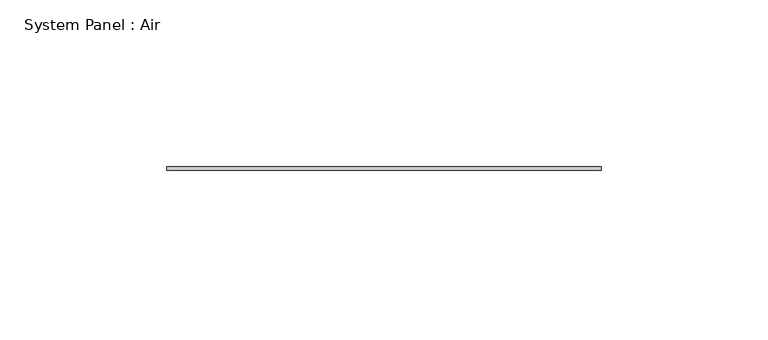
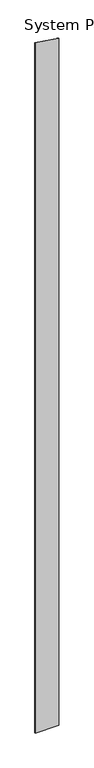
"""IFC4 building model written with IfcOpenShell, lengths in millimetres: plate geometry, System Panel : Air."""

import ifcopenshell
import ifcopenshell.guid

model = None  # the IFC model being written
_history = None  # IfcOwnerHistory: only IFC2X3 demands one
_inside = {}  # id of a spatial element -> (the spatial element, [elements in it])
_under = {}  # id of a project, library or spatial element -> (it, [spatial elements below it])
_declared = {}  # id of a project -> (the project, [libraries it declares])
_typed = {}  # id of a type object -> (the type object, [elements of that type])
_made_of = {}  # id of a material, layer set ... -> (it, [elements and type objects made of it])


def new_model(schema):
    """Start an empty IFC model of exactly this schema.

    Asked for "IFC4X3", IfcOpenShell would pick the latest addendum, in which some entities
    have other attributes; the version numbers below select the first issue.
    IFC2X3 requires an IfcOwnerHistory on every rooted entity: one is made here for all.
    """
    global model, _history
    if schema == "IFC4X3":
        model = ifcopenshell.file(schema_version=(4, 3, 0, 0))
    else:
        model = ifcopenshell.file(schema=schema)
    _inside.clear()
    _under.clear()
    _declared.clear()
    _typed.clear()
    _made_of.clear()
    _history = None
    if model.schema == "IFC2X3":
        org = make("IfcOrganization", Name="unknown")
        user = make(
            "IfcPersonAndOrganization",
            ThePerson=make("IfcPerson", FamilyName="unknown"),
            TheOrganization=org,
        )
        app = make(
            "IfcApplication",
            ApplicationDeveloper=org,
            Version="unknown",
            ApplicationFullName="unknown",
            ApplicationIdentifier="unknown",
        )
        _history = make(
            "IfcOwnerHistory",
            OwningUser=user,
            OwningApplication=app,
            ChangeAction="ADDED",
            CreationDate=0,
        )
    return model


def make(cls, **values):
    """One entity of the class cls with the attributes given. An attribute that is None is left unset."""
    return model.create_entity(
        cls, **{name: value for name, value in values.items() if value is not None}
    )


def rooted(cls, **values):
    """An entity with a GlobalId (a new one), such as an element, a storey or a relation."""
    return make(cls, GlobalId=ifcopenshell.guid.new(), OwnerHistory=_history, **values)


def si_unit(unit_type, name, prefix=None):
    """IfcSIUnit, for example si_unit("LENGTHUNIT", "METRE", prefix="MILLI")."""
    return make("IfcSIUnit", UnitType=unit_type, Prefix=prefix, Name=name)


def assignment(units):
    """IfcUnitAssignment: the units of a project."""
    return None if units is None else make("IfcUnitAssignment", Units=units)


def point(xyz):
    """IfcCartesianPoint."""
    return None if xyz is None else make("IfcCartesianPoint", Coordinates=xyz)


def direction(xyz):
    """IfcDirection."""
    return None if xyz is None else make("IfcDirection", DirectionRatios=xyz)


def frame(location, z_axis=None, x_axis=None):
    """IfcAxis2Placement3D, a coordinate frame: its origin and axes. An axis left out is left unset."""
    return make(
        "IfcAxis2Placement3D",
        Location=point(location),
        Axis=direction(z_axis),
        RefDirection=direction(x_axis),
    )


def origin():
    """The frame at (0, 0, 0) with its axes left unset."""
    return frame((0.0, 0.0, 0.0))


def place(relative_to, where):
    """IfcLocalPlacement: puts the frame where relative to a parent placement (None: the world)."""
    return make(
        "IfcLocalPlacement", PlacementRelTo=relative_to, RelativePlacement=where
    )


def context(
    kind, dimensions, precision=None, world=None, true_north=None, identifier=None
):
    """IfcGeometricRepresentationContext, for example the 3D "Model" context."""
    return make(
        "IfcGeometricRepresentationContext",
        ContextIdentifier=identifier,
        ContextType=kind,
        CoordinateSpaceDimension=dimensions,
        Precision=precision,
        WorldCoordinateSystem=world,
        TrueNorth=true_north,
    )


def project(units=None, contexts=None):
    """IfcProject with its units and contexts."""
    return rooted(
        "IfcProject",
        Name="project",
        RepresentationContexts=contexts,
        UnitsInContext=assignment(units),
    )


def spatial(cls, under=None, at=None, **own):
    """A site, building, storey or space (cls), placed at a placement, below another one or the project."""
    s = rooted(cls, ObjectPlacement=at, **own)
    if under is not None:
        _under.setdefault(under.id(), (under, []))[1].append(s)
    return s


def polyline(points):
    """IfcPolyline through the points."""
    return make("IfcPolyline", Points=[point(p) for p in points])


def outline(outer, holes=None, kind="AREA"):
    """IfcArbitraryClosedProfileDef: a profile drawn as a closed curve; with holes, ...WithVoids."""
    if holes is None:
        return make("IfcArbitraryClosedProfileDef", ProfileType=kind, OuterCurve=outer)
    return make(
        "IfcArbitraryProfileDefWithVoids",
        ProfileType=kind,
        OuterCurve=outer,
        InnerCurves=holes,
    )


def extrude(swept, where, along, depth):
    """IfcExtrudedAreaSolid: the profile swept, set in the frame where, extruded along a direction by depth."""
    return make(
        "IfcExtrudedAreaSolid",
        SweptArea=swept,
        Position=where,
        ExtrudedDirection=direction(along),
        Depth=depth,
    )


def shape(context_of_items, identifier, shape_type, items):
    """IfcShapeRepresentation: the items that make up one representation, for example the "Body"."""
    return make(
        "IfcShapeRepresentation",
        ContextOfItems=context_of_items,
        RepresentationIdentifier=identifier,
        RepresentationType=shape_type,
        Items=items,
    )


def source(mapping_origin, context_of_items, identifier, shape_type, items):
    """IfcRepresentationMap: a shape defined once, which mapped items show again and again."""
    return make(
        "IfcRepresentationMap",
        MappingOrigin=mapping_origin,
        MappedRepresentation=shape(context_of_items, identifier, shape_type, items),
    )


def transform(
    local_origin,
    x_axis=None,
    y_axis=None,
    z_axis=None,
    scale=None,
    scale2=None,
    scale3=None,
    uniform=True,
):
    """IfcCartesianTransformationOperator3D, or its non-uniform kind. x_axis, y_axis, z_axis: its Axis1, 2, 3."""
    if uniform:
        return make(
            "IfcCartesianTransformationOperator3D",
            Axis1=direction(x_axis),
            Axis2=direction(y_axis),
            LocalOrigin=point(local_origin),
            Scale=scale,
            Axis3=direction(z_axis),
        )
    return make(
        "IfcCartesianTransformationOperator3DnonUniform",
        Axis1=direction(x_axis),
        Axis2=direction(y_axis),
        LocalOrigin=point(local_origin),
        Scale=scale,
        Axis3=direction(z_axis),
        Scale2=scale2,
        Scale3=scale3,
    )


def mapped(mapping_source, mapping_target):
    """IfcMappedItem: shows the shape of a source again, moved by a transform."""
    return make(
        "IfcMappedItem", MappingSource=mapping_source, MappingTarget=mapping_target
    )


def made_of(thing, what):
    """Note that an element or type object is made of a material, layer set ...; save() writes the relation."""
    if what is not None:
        _made_of.setdefault(what.id(), (what, []))[1].append(thing)
    return thing


def element(
    cls,
    number,
    at=None,
    inside=None,
    cuts=None,
    type_object=None,
    material=None,
    context=None,
    identifier="Body",
    shape_type=None,
    held_by="IfcProductDefinitionShape",
    body=None,
    shapes=None,
    **own,
):
    """One element of the class cls, such as IfcWall. Its Tag is "e" and its number.

    at: its placement. inside: the storey or other place that contains it. cuts: it is an
    opening in that element (IfcRelVoidsElement). A single representation is given by context,
    identifier, shape_type and body (its items); several are given by shapes. held_by: the class
    of the entity that holds the representations. save() writes the other relations.
    """
    e = rooted(cls, Tag="e%d" % number, ObjectPlacement=at, **own)
    if body is not None:
        shapes = [shape(context, identifier, shape_type, body)]
    if shapes is not None:
        e.Representation = make(held_by, Representations=shapes)
    if inside is not None:
        _inside.setdefault(inside.id(), (inside, []))[1].append(e)
    if cuts is not None:
        rooted(
            "IfcRelVoidsElement", RelatingBuildingElement=cuts, RelatedOpeningElement=e
        )
    if type_object is not None:
        _typed.setdefault(type_object.id(), (type_object, []))[1].append(e)
    return made_of(e, material)


def aggregate(whole, parts):
    """IfcRelAggregates: a whole, such as a stair, and the parts it consists of."""
    return rooted("IfcRelAggregates", RelatingObject=whole, RelatedObjects=parts)


def save(model, path):
    """Write the relations noted so far, then the file.

    IfcRelAggregates (storeys below a building ...), IfcRelContainedInSpatialStructure (elements
    in a storey), IfcRelDefinesByType, IfcRelAssociatesMaterial and IfcRelDeclares: one each for
    every whole, place, type object, material and project.
    """
    for whole, parts in _under.values():
        aggregate(whole, parts)
    for where, things in _inside.values():
        rooted(
            "IfcRelContainedInSpatialStructure",
            RelatedElements=things,
            RelatingStructure=where,
        )
    for kind, things in _typed.values():
        rooted("IfcRelDefinesByType", RelatedObjects=things, RelatingType=kind)
    for what, things in _made_of.values():
        rooted("IfcRelAssociatesMaterial", RelatedObjects=things, RelatingMaterial=what)
    for by, libraries in _declared.values():
        rooted("IfcRelDeclares", RelatingContext=by, RelatedDefinitions=libraries)
    model.write(path)


def system_panel_air_9daf28ac(model_context):
    return source(origin(), model_context, "Body", "SweptSolid", [
        extrude(outline(polyline([(0.0, -65.0), (0.0, 65.0), (3993.2277254, 65.0), (4012.4827805, -65.0), (0.0, -65.0)])), frame((0.0, 36.5, 0.0), z_axis=(0.0, 1.0, 0.0), x_axis=(0.0, 0.0, 1.0)), (0.0, 0.0, 1.0), 1.0),
    ])


if __name__ == "__main__":
    model = new_model("IFC4")
    model_context = context("Model", 3, world=origin())
    ifc_project = project(units=[si_unit("LENGTHUNIT", "METRE", prefix="MILLI")], contexts=[model_context])
    site = spatial("IfcSite", under=ifc_project)
    building = spatial("IfcBuilding", under=site)
    placement = place(None, origin())
    system_panel_air_shape = system_panel_air_9daf28ac(model_context)
    element("IfcPlate", 1, ObjectType="System Panel : Air", at=placement, inside=building, context=model_context, shape_type="MappedRepresentation", body=[
        mapped(system_panel_air_shape, transform((0.0, 0.0, 0.0), x_axis=(1.0, 0.0, 0.0), y_axis=(0.0, 1.0, 0.0), z_axis=(0.0, 0.0, 1.0))),
    ])
    save(model, "model.ifc")
